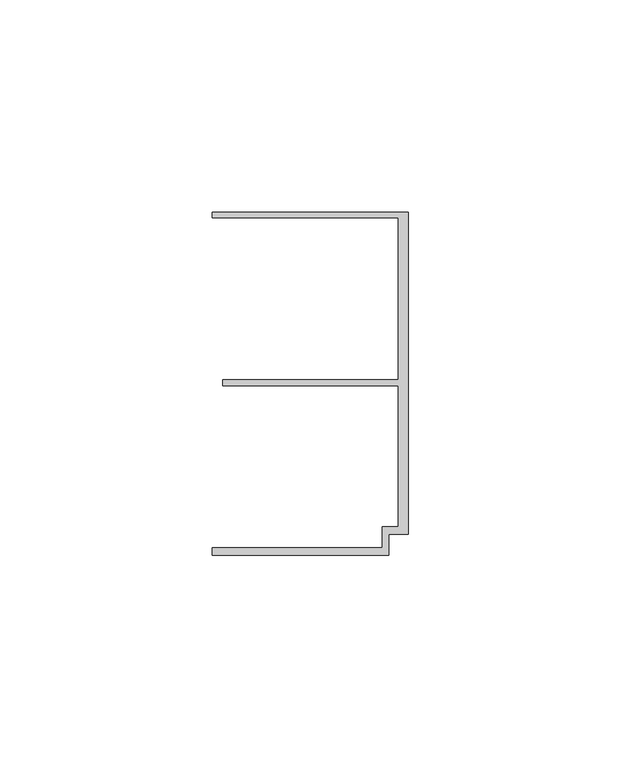
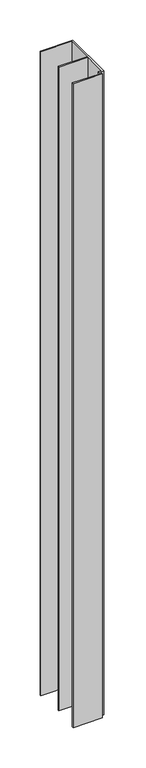
"""IFC4 building model written with IfcOpenShell, lengths in millimetres: member geometry."""

from ifc_helpers import new_model, si_unit, frame, origin, place, context, project, spatial, polyline, outline, extrude, source, transform, mapped, element, save


def member_e70953f5(model_context):
    return source(origin(), model_context, "Body", "SweptSolid", [
        extrude(outline(polyline([(-6.2, -33.95), (-2.4, -33.95), (-2.4, -0.75), (-43.8, -0.75), (-43.8, 0.75), (-2.4, 0.75), (-2.4, 38.95), (-46.3, 38.95), (-46.3, 40.25), (0.0, 40.25), (0.0, -35.75), (-4.6999992, -35.75), (-4.6999992, -40.65), (-46.3, -40.65), (-46.3, -38.95), (-6.2, -38.95), (-6.2, -33.95)])), frame((0.0, 0.0, -972.3998979), z_axis=(0.0, 0.0, 1.0), x_axis=(1.0, 0.0, 0.0)), (0.0, 0.0, 1.0), 972.3998979),
    ])


if __name__ == "__main__":
    model = new_model("IFC4")
    model_context = context("Model", 3, world=origin())
    ifc_project = project(units=[si_unit("LENGTHUNIT", "METRE", prefix="MILLI")], contexts=[model_context])
    site = spatial("IfcSite", under=ifc_project)
    building = spatial("IfcBuilding", under=site)
    placement = place(None, origin())
    member_shape = member_e70953f5(model_context)
    element("IfcMember", 1, at=placement, inside=building, context=model_context, shape_type="MappedRepresentation", body=[
        mapped(member_shape, transform((0.0, 0.0, 0.0), x_axis=(1.0, 0.0, 0.0), y_axis=(0.0, 1.0, 0.0), z_axis=(0.0, 0.0, 1.0))),
    ])
    save(model, "model.ifc")
